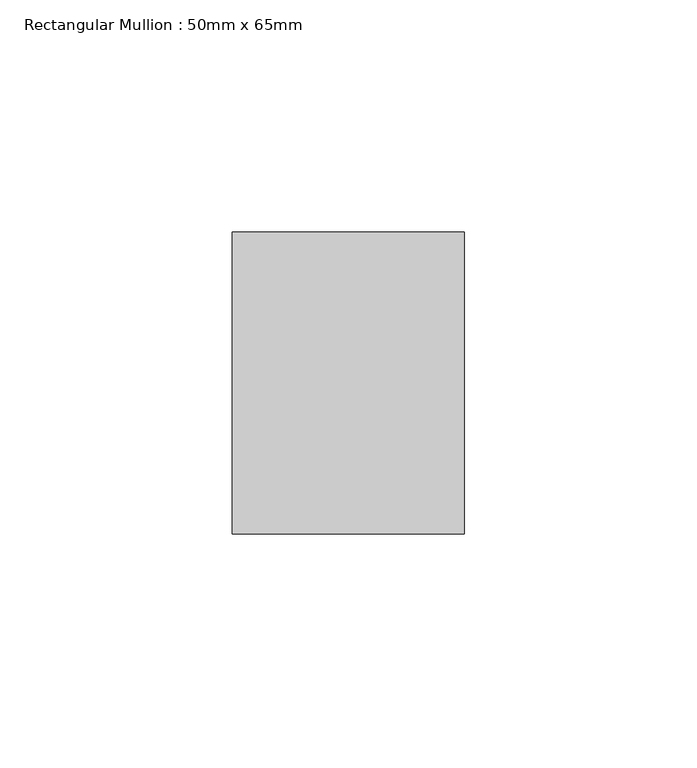
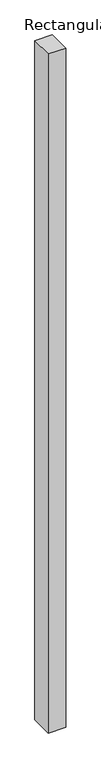
"""IFC4 building model written with IfcOpenShell, lengths in millimetres: member geometry, Rectangular Mullion : 50mm x 65mm."""

from ifc_helpers import new_model, si_unit, frame, origin, place, context, project, spatial, polyline, outline, extrude, source, transform, mapped, element, save


def rectangular_mullion_50mm_x_65mm_8407f586(model_context):
    return source(origin(), model_context, "Body", "SweptSolid", [
        extrude(outline(polyline([(25.0, 32.5), (25.0, -32.5), (-25.0, -32.5), (-25.0, 32.5), (25.0, 32.5)])), frame((0.0, 0.0, -2042.0388639), z_axis=(0.0, 0.0, 1.0), x_axis=(1.0, 0.0, 0.0)), (0.0, 0.0, 1.0), 2042.0388639),
    ])


if __name__ == "__main__":
    model = new_model("IFC4")
    model_context = context("Model", 3, world=origin())
    ifc_project = project(units=[si_unit("LENGTHUNIT", "METRE", prefix="MILLI")], contexts=[model_context])
    site = spatial("IfcSite", under=ifc_project)
    building = spatial("IfcBuilding", under=site)
    placement = place(None, origin())
    rectangular_mullion_50mm_x_65mm_shape = rectangular_mullion_50mm_x_65mm_8407f586(model_context)
    element("IfcMember", 1, ObjectType="Rectangular Mullion : 50mm x 65mm", at=placement, inside=building, context=model_context, shape_type="MappedRepresentation", body=[
        mapped(rectangular_mullion_50mm_x_65mm_shape, transform((0.0, 0.0, 0.0), x_axis=(1.0, 0.0, 0.0), y_axis=(0.0, 1.0, 0.0), z_axis=(0.0, 0.0, 1.0))),
    ])
    save(model, "model.ifc")
